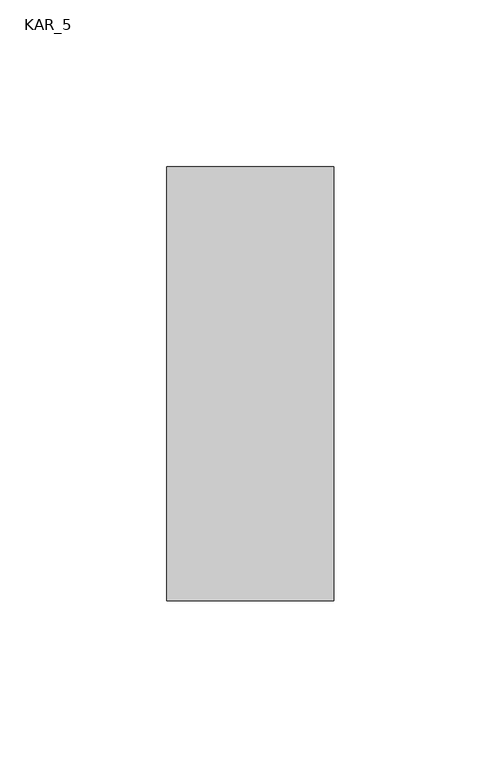
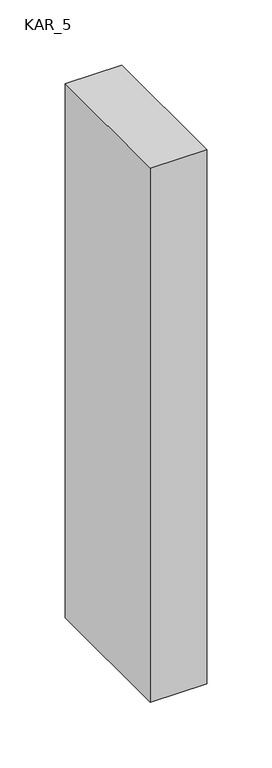
"""IFC4 building model written with IfcOpenShell, lengths in millimetres: proxy geometry, KAR_5."""

from ifc_helpers import new_model, si_unit, frame, origin, place, context, project, spatial, polyline, outline, extrude, source, transform, mapped, element, save


def kar_5_d3f20359(model_context):
    return source(origin(), model_context, "Body", "SweptSolid", [
        extrude(outline(polyline([(50.0, 130.0), (50.0, 0.0), (0.0, 0.0), (0.0, 130.0), (50.0, 130.0)])), frame((0.0, 0.0, 1500.0), z_axis=(0.0, 0.0, 1.0), x_axis=(1.0, 0.0, 0.0)), (0.0, 0.0, 1.0), 500.0),
    ])


if __name__ == "__main__":
    model = new_model("IFC4")
    model_context = context("Model", 3, world=origin())
    ifc_project = project(units=[si_unit("LENGTHUNIT", "METRE", prefix="MILLI")], contexts=[model_context])
    site = spatial("IfcSite", under=ifc_project)
    building = spatial("IfcBuilding", under=site)
    placement = place(None, origin())
    kar_5_shape = kar_5_d3f20359(model_context)
    element("IfcBuildingElementProxy", 1, Name="KAR_5", ObjectType="KAR_5", at=placement, inside=building, context=model_context, shape_type="MappedRepresentation", body=[
        mapped(kar_5_shape, transform((0.0, 0.0, 0.0), x_axis=(1.0, 0.0, 0.0), y_axis=(0.0, 1.0, 0.0), z_axis=(0.0, 0.0, 1.0))),
    ])
    save(model, "model.ifc")
